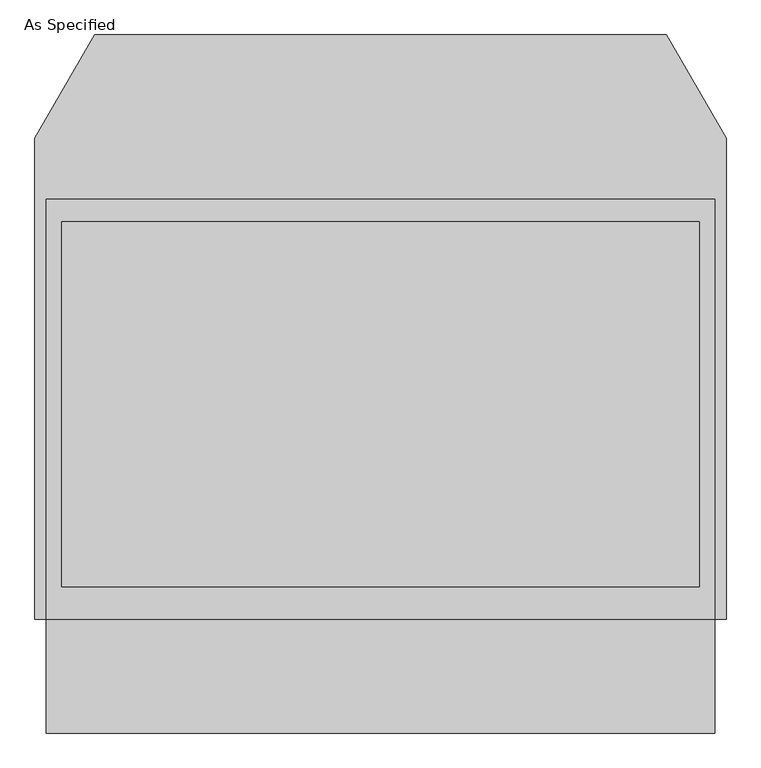
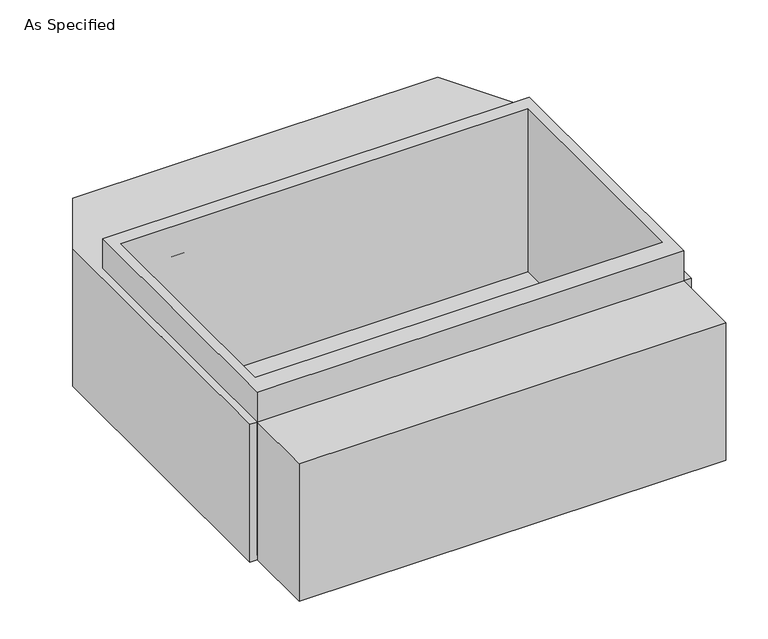
"""IFC4 building model written with IfcOpenShell, lengths in millimetres: proxy geometry, As Specified."""

from ifc_helpers import new_model, si_unit, frame, origin, place, context, project, spatial, polyline, outline, extrude, faceted_brep, source, transform, mapped, element, save


def as_specified_d454f8e9(model_context):
    return source(origin(), model_context, "Body", "SolidModel", [
        extrude(outline(polyline([(1117.6, 617.8351562), (1117.6, -785.5148438), (-1117.6, -785.5148438), (-1117.6, 617.8351562), (1117.6, 617.8351562)]), holes=[polyline([(-1066.8, 541.6748437), (-1066.8, -677.5251563), (1066.8, -677.5251563), (1066.8, 541.6748437), (-1066.8, 541.6748437)])]), frame((0.0, 0.0, -762.0), z_axis=(0.0, 0.0, 1.0), x_axis=(1.0, 0.0, 0.0)), (0.0, 0.0, 1.0), 901.7),
        faceted_brep([(1117.6, -1166.5148438, -787.4), (-1117.6, -1166.5148438, -787.4), (-1117.6, -785.5148438, -787.4), (-1155.7, -785.5148438, -787.4), (-1155.7, 821.0748437, -787.4), (-956.260123, 1166.5148437, -787.4), (956.260123, 1166.5148437, -787.4), (1155.7, 821.0748437, -787.4), (1155.7, -785.5148438, -787.4), (1117.6, -785.5148438, -787.4), (1117.6, -1166.5148438, -25.4), (1117.6, -785.5148438, -25.4), (1155.7, -785.5148438, -25.4), (1155.7, 821.0748437, -25.4), (956.260123, 1166.5148437, -25.4), (-956.260123, 1166.5148437, -25.4), (-1155.7, 821.0748437, -25.4), (-1155.7, -785.5148438, -25.4), (-1117.6, -785.5148438, -25.4), (-1117.6, -1166.5148438, -25.4), (1066.8, 541.6748437, -25.4), (1066.8, -677.5251563, -25.4), (-1066.8, -677.5251563, -25.4), (-1066.8, 541.6748437, -25.4), (1066.8, 541.6748437, -762.0), (-1066.8, 541.6748437, -762.0), (-1066.8, -677.5251563, -762.0), (1066.8, -677.5251563, -762.0)], [[[0, 1, 2, 3, 4, 5, 6, 7, 8, 9]], [[10, 11, 12, 13, 14, 15, 16, 17, 18, 19], [20, 21, 22, 23]], [[6, 5, 15, 14]], [[3, 17, 16, 4]], [[17, 3, 2, 18]], [[8, 12, 11, 9]], [[12, 8, 7, 13]], [[0, 9, 11, 10]], [[2, 1, 19, 18]], [[1, 0, 10, 19]], [[5, 4, 16, 15]], [[7, 6, 14, 13]], [[24, 25, 26, 27]], [[24, 27, 21, 20]], [[27, 26, 22, 21]], [[26, 25, 23, 22]], [[25, 24, 20, 23]]]),
    ])


if __name__ == "__main__":
    model = new_model("IFC4")
    model_context = context("Model", 3, world=origin())
    ifc_project = project(units=[si_unit("LENGTHUNIT", "METRE", prefix="MILLI")], contexts=[model_context])
    site = spatial("IfcSite", under=ifc_project)
    building = spatial("IfcBuilding", under=site)
    placement = place(None, origin())
    as_specified_shape = as_specified_d454f8e9(model_context)
    element("IfcBuildingElementProxy", 1, Name="As Specified", ObjectType="As Specified", at=placement, inside=building, context=model_context, shape_type="MappedRepresentation", body=[
        mapped(as_specified_shape, transform((0.0, 0.0, 0.0), x_axis=(1.0, 0.0, 0.0), y_axis=(0.0, 1.0, 0.0), z_axis=(0.0, 0.0, 1.0))),
    ])
    save(model, "model.ifc")
